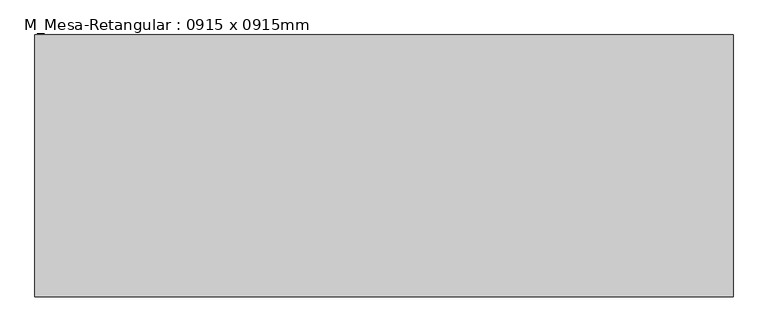
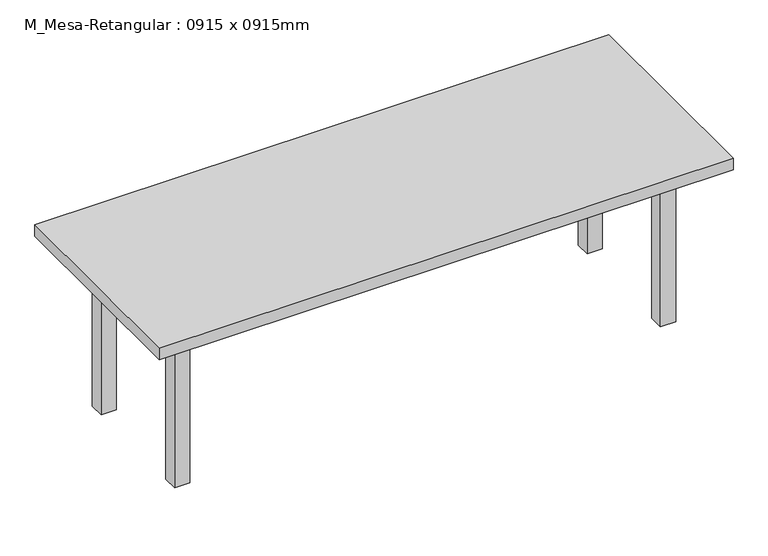
"""IFC4 building model written with IfcOpenShell, lengths in millimetres: furniture geometry, M_Mesa-Retangular : 0915 x 0915mm."""

from ifc_helpers import new_model, si_unit, frame, origin, origin_with_axes, place, context, project, spatial, polyline, outline, extrude, source, transform, mapped, element, save


def m_mesa_retangular_0915_x_0915mm_95ff76c2(model_context):
    return source(origin(), model_context, "Body", "SweptSolid", [
        extrude(outline(polyline([(984.1, 259.5), (984.1, 234.1), (-984.1, 234.1), (-984.1, 259.5), (984.1, 259.5)])), frame((0.0, 0.0, 609.6), z_axis=(0.0, 0.0, 1.0), x_axis=(1.0, 0.0, 0.0)), (0.0, 0.0, 1.0), 101.6),
        extrude(outline(polyline([(984.1, -259.5), (-984.1, -259.5), (-984.1, -234.1), (984.1, -234.1), (984.1, -259.5)])), frame((0.0, 0.0, 609.6), z_axis=(0.0, 0.0, 1.0), x_axis=(1.0, 0.0, 0.0)), (0.0, 0.0, 1.0), 101.6),
        extrude(outline(polyline([(-996.8, -234.1), (-1022.2, -234.1), (-1022.2, 234.1), (-996.8, 234.1), (-996.8, -234.1)])), frame((0.0, 0.0, 609.6), z_axis=(0.0, 0.0, 1.0), x_axis=(1.0, 0.0, 0.0)), (0.0, 0.0, 1.0), 101.6),
        extrude(outline(polyline([(996.8, -234.1), (996.8, 234.1), (1022.2, 234.1), (1022.2, -234.1), (996.8, -234.1)])), frame((0.0, 0.0, 609.6), z_axis=(0.0, 0.0, 1.0), x_axis=(1.0, 0.0, 0.0)), (0.0, 0.0, 1.0), 101.6),
        extrude(outline(polyline([(1200.0, 450.0), (1200.0, -450.0), (-1200.0, -450.0), (-1200.0, 450.0), (1200.0, 450.0)])), frame((0.0, 0.0, 711.2), z_axis=(0.0, 0.0, 1.0), x_axis=(1.0, 0.0, 0.0)), (0.0, 0.0, 1.0), 50.8),
        extrude(outline(polyline([(-984.1, 297.6), (-984.1, 234.1), (-1047.6, 234.1), (-1047.6, 297.6), (-984.1, 297.6)])), origin_with_axes(), (0.0, 0.0, 1.0), 711.2),
        extrude(outline(polyline([(984.1, 297.6), (1047.6, 297.6), (1047.6, 234.1), (984.1, 234.1), (984.1, 297.6)])), origin_with_axes(), (0.0, 0.0, 1.0), 711.2),
        extrude(outline(polyline([(-984.1, -297.6), (-1047.6, -297.6), (-1047.6, -234.1), (-984.1, -234.1), (-984.1, -297.6)])), origin_with_axes(), (0.0, 0.0, 1.0), 711.2),
        extrude(outline(polyline([(984.1, -297.6), (984.1, -234.1), (1047.6, -234.1), (1047.6, -297.6), (984.1, -297.6)])), origin_with_axes(), (0.0, 0.0, 1.0), 711.2),
    ])


if __name__ == "__main__":
    model = new_model("IFC4")
    model_context = context("Model", 3, world=origin())
    ifc_project = project(units=[si_unit("LENGTHUNIT", "METRE", prefix="MILLI")], contexts=[model_context])
    site = spatial("IfcSite", under=ifc_project)
    building = spatial("IfcBuilding", under=site)
    placement = place(None, origin())
    m_mesa_retangular_0915_x_0915mm_shape = m_mesa_retangular_0915_x_0915mm_95ff76c2(model_context)
    element("IfcFurniture", 1, ObjectType="M_Mesa-Retangular : 0915 x 0915mm", at=placement, inside=building, context=model_context, shape_type="MappedRepresentation", body=[
        mapped(m_mesa_retangular_0915_x_0915mm_shape, transform((0.0, 0.0, 0.0), x_axis=(1.0, 0.0, 0.0), y_axis=(0.0, 1.0, 0.0), z_axis=(0.0, 0.0, 1.0))),
    ])
    save(model, "model.ifc")
